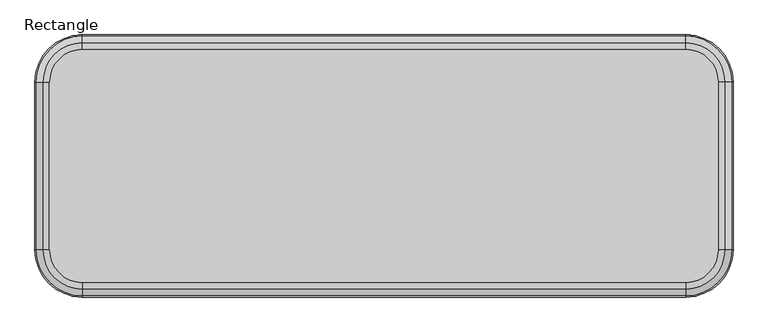
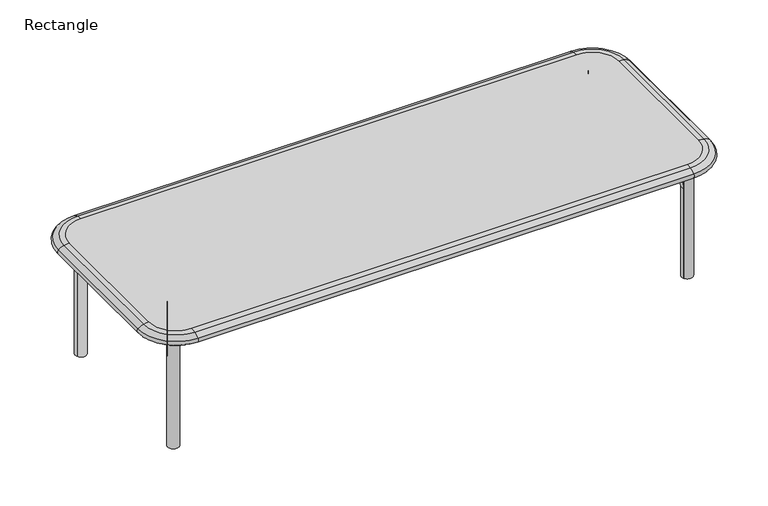
"""IFC4 building model written with IfcOpenShell, lengths in millimetres: furniture geometry, Rectangle."""

from ifc_helpers import new_model, si_unit, point, frame, frame_2d, origin, origin_with_axes, place, context, project, spatial, polyline, circle_curve, ellipse_curve, trimmed, segment, composite_curve, outline, extrude, source, transform, mapped, element, save
from ifc_brep_helpers import plane_surface, cylinder_surface, revolved_surface, advanced_brep


def rectangle_93412eb4(model_context):
    return source(origin(), model_context, "Body", "SolidModel", [
        extrude(outline(composite_curve([segment(polyline([(-182.5092077, 0.0), (0.0, 0.0), (0.0, -15.3909162), (-224.2682915, -15.3909162), (-224.2682915, 41.7590838)]), True, "CONTINUOUS"), segment(trimmed(circle_curve(frame_2d((-182.5092077, 41.7590838)), 41.7590838), [point((-224.2682915, 41.7590838))], [point((-182.5092077, 0.0))], True, "CARTESIAN"), True, "CONTINUOUS")], self_intersect=False)), frame((479.78078, 1.1365675, 264.0090838), z_axis=(0.8665866430967921, -0.4990266425815689, 0.0), x_axis=(-0.4990266425815689, -0.8665866430967921, 0.0)), (0.0, 0.0, 1.0), 26.122889),
        extrude(outline(composite_curve([segment(polyline([(0.0, 0.0), (224.6952016, 0.0), (224.6952016, -15.3909162), (41.7590839, -15.3909162)]), True, "CONTINUOUS"), segment(trimmed(circle_curve(frame_2d((41.7590839, -57.15)), 41.7590838), [point((41.7590839, -15.3909162))], [point((0.0, -57.15))], True, "CARTESIAN"), True, "CONTINUOUS"), segment(polyline([(0.0, -57.15), (0.0, 0.0)]), True, "CONTINUOUS")], self_intersect=False)), frame((591.800489, -193.5184196, 279.4), z_axis=(0.8665866430967921, 0.4990266425815689, 0.0), x_axis=(-0.4990266425815689, 0.8665866430967921, 0.0)), (0.0, 0.0, 1.0), 25.7081538),
        advanced_brep(
        [(591.8058003, 195.4215784, 0.0), (614.4288723, 182.3601417, 0.0), (591.8058003, 195.4215784, 222.25), (614.4288723, 182.3601417, 222.25), (593.5493304, 146.1957143, 264.0090838), (570.9262584, 159.257151, 264.0090838), (479.7369599, 1.3126528, 264.0090838), (502.3600319, -11.7487839, 264.0090838)],
        [
            (0, 1),
            (1, 0, circle_curve(frame((602.9716509, 188.6385255, 0.0), z_axis=(0.0, 0.0, -1.0), x_axis=(0.4999999999999981, 0.8660254037844397, 0.0)), 13.0646862)),
            (0, 2),
            (2, 3),
            (3, 1),
            (3, 2, circle_curve(frame((602.9716509, 188.6385255, 222.25), z_axis=(0.0, 0.0, -1.0), x_axis=(0.4999999999999981, 0.8660254037844397, 0.0)), 13.0646862)),
            (4, 3, circle_curve(frame((593.5493304, 146.1957143, 222.25), z_axis=(-0.8660254037844397, 0.4999999999999981, 0.0), x_axis=(0.4999999999999981, 0.8660254037844397, 0.0)), 41.7590838)),
            (2, 5, circle_curve(frame((570.9262584, 159.257151, 222.25), z_axis=(0.8660254037844397, -0.4999999999999981, 0.0), x_axis=(0.4999999999999981, 0.8660254037844397, 0.0)), 41.7590838)),
            (5, 4),
            (4, 5, circle_curve(frame((582.2377944, 152.7264326, 263.717713), z_axis=(0.499999999999998, 0.8660254037844397, 0.0), x_axis=(0.0, 0.0, 1.0)), 13.0646862)),
            (6, 7, circle_curve(frame((491.0484959, -5.2180655, 263.717713), z_axis=(-0.49999999999999817, -0.8660254037844397, 0.0), x_axis=(0.0, 0.0, 1.0)), 13.0646862)),
            (7, 6),
            (5, 6),
            (7, 4),
        ],
        [
            plane_surface(frame((591.8058003, 195.4215784, 0.0), z_axis=(0.0, 0.0, -1.0), x_axis=(-0.8660254037844397, 0.4999999999999981, 0.0))),
            plane_surface(frame((591.8058003, 195.4215784, 0.0), z_axis=(0.49999999999999767, 0.86602540378444, 0.0), x_axis=(0.0, 0.0, 1.0))),
            cylinder_surface(frame((602.9716509, 188.6385255, 0.0), z_axis=(0.0, 0.0, -1.0), x_axis=(0.4999999999999981, 0.8660254037844397, 0.0)), 13.0646862),
            cylinder_surface(frame((570.9262584, 159.257151, 222.25), z_axis=(0.8660254037844397, -0.4999999999999981, 0.0), x_axis=(0.4999999999999981, 0.8660254037844397, 0.0)), 41.7590838),
            revolved_surface(trimmed(ellipse_curve(frame((602.9716509, 188.6385255, 222.25), z_axis=(0.0, 0.0, -1.0), x_axis=(0.4999999999999981, 0.8660254037844397, 0.0)), 13.0646862, 13.0646862), [point((614.4288723, 182.3601417, 222.25))], [point((591.8058003, 195.4215784, 222.25))], True, "CARTESIAN"), (570.9262584, 159.257151, 222.25), (0.8660254037844397, -0.4999999999999981, 0.0)),
            plane_surface(frame((479.7369599, 1.3126528, 264.0090838), z_axis=(-0.4999999999999981, -0.8660254037844398, 0.0), x_axis=(-0.8660254037844398, 0.4999999999999981, 0.0))),
            plane_surface(frame((570.9262584, 159.257151, 264.0090838), z_axis=(0.0, 0.0, 1.0), x_axis=(-0.499999999999998, -0.8660254037844398, 0.0))),
            cylinder_surface(frame((582.2377944, 152.7264326, 263.717713), z_axis=(0.49999999999999817, 0.8660254037844397, 0.0), x_axis=(0.0, 0.0, 1.0)), 13.0646862),
        ],
        [
            (0, [[1, 2]]),
            (1, [[-1, 3, 4, 5]]),
            (2, [[-2, -5, 6, -3]]),
            (3, [[7, -4, 8, 9]]),
            (4, [[-8, -6, -7, 10]]),
            (5, [[11, 12]]),
            (6, [[-9, 13, -12, 14]]),
            (7, [[-10, -14, -11, -13]]),
        ],
    ),
        advanced_brep(
        [(591.800489, -193.5184196, 0.0), (614.4382222, -180.4824098, 0.0), (614.4382222, -180.4824098, 222.25), (591.800489, -193.5184196, 222.25), (570.9615936, -157.3305553, 264.0090838), (593.5993268, -144.2945455, 264.0090838), (479.9098207, 0.7857525, 264.0090838), (502.5475539, 13.8217623, 264.0090838)],
        [
            (0, 1, circle_curve(frame((602.9739538, -186.7479166, 0.0), z_axis=(0.0, 0.0, -1.0), x_axis=(-0.4990266425815689, 0.8665866430967921, 0.0)), 13.0646862)),
            (1, 0),
            (1, 2),
            (2, 3),
            (3, 0),
            (3, 2, circle_curve(frame((602.9739538, -186.7479166, 222.25), z_axis=(0.0, 0.0, -1.0), x_axis=(-0.4990266425815689, 0.8665866430967921, 0.0)), 13.0646862)),
            (4, 3, circle_curve(frame((570.9615936, -157.3305553, 222.25), z_axis=(0.8665866430967921, 0.4990266425815689, 0.0), x_axis=(0.4990266425815689, -0.8665866430967921, 0.0)), 41.7590838)),
            (2, 5, circle_curve(frame((593.5993268, -144.2945455, 222.25), z_axis=(-0.8665866430967921, -0.4990266425815689, 0.0), x_axis=(0.4990266425815689, -0.8665866430967921, 0.0)), 41.7590838)),
            (5, 4),
            (4, 5, circle_curve(frame((582.2804602, -150.8125504, 263.717713), z_axis=(0.4990266425815688, -0.8665866430967921, 0.0), x_axis=(0.0, 0.0, -1.0)), 13.0646862)),
            (6, 7),
            (7, 6, circle_curve(frame((491.2286873, 7.3037574, 263.717713), z_axis=(-0.4990266425815691, 0.8665866430967921, 0.0), x_axis=(0.0, 0.0, -1.0)), 13.0646862)),
            (5, 7),
            (6, 4),
        ],
        [
            plane_surface(frame((591.800489, -193.5184196, 0.0), z_axis=(0.0, 0.0, -1.0), x_axis=(-0.8665866430967921, -0.4990266425815689, 0.0))),
            plane_surface(frame((614.4382222, -180.4824098, 0.0), z_axis=(0.4990266425815685, -0.8665866430967925, 0.0), x_axis=(0.0, 0.0, 1.0))),
            cylinder_surface(frame((602.9739538, -186.7479166, 0.0), z_axis=(0.0, 0.0, -1.0), x_axis=(-0.4990266425815689, 0.8665866430967921, 0.0)), 13.0646862),
            cylinder_surface(frame((570.9615936, -157.3305553, 222.25), z_axis=(-0.8665866430967921, -0.4990266425815689, 0.0), x_axis=(0.4990266425815689, -0.8665866430967921, 0.0)), 41.7590838),
            revolved_surface(trimmed(ellipse_curve(frame((602.9739538, -186.7479166, 222.25), z_axis=(0.0, 0.0, -1.0), x_axis=(-0.4990266425815689, 0.8665866430967921, 0.0)), 13.0646862, 13.0646862), [point((591.800489, -193.5184196, 222.25))], [point((614.4382222, -180.4824098, 222.25))], True, "CARTESIAN"), (570.9615936, -157.3305553, 222.25), (-0.8665866430967921, -0.4990266425815689, 0.0)),
            plane_surface(frame((479.9098207, 0.7857525, 264.0090838), z_axis=(-0.49902664258156915, 0.8665866430967922, 0.0), x_axis=(-0.8665866430967922, -0.49902664258156915, 0.0))),
            plane_surface(frame((593.5993268, -144.2945455, 264.0090838), z_axis=(0.0, 0.0, 1.0), x_axis=(-0.49902664258156887, 0.8665866430967922, 0.0))),
            cylinder_surface(frame((582.2804602, -150.8125504, 263.717713), z_axis=(0.4990266425815691, -0.8665866430967921, 0.0), x_axis=(0.0, 0.0, -1.0)), 13.0646862),
        ],
        [
            (0, [[1, 2]]),
            (1, [[-2, 3, 4, 5]]),
            (2, [[-1, -5, 6, -3]]),
            (3, [[7, -4, 8, 9]]),
            (4, [[-8, -6, -7, 10]]),
            (5, [[11, 12]]),
            (6, [[-9, 13, -11, 14]]),
            (7, [[-10, -14, -12, -13]]),
        ],
    ),
        extrude(outline(composite_curve([segment(polyline([(614.4387781, 182.3714159), (591.8059029, 195.4217561)]), True, "CONTINUOUS"), segment(trimmed(circle_curve(frame_2d((603.1223405, 188.896586)), 13.0629095), [point((591.8059029, 195.4217561))], [point((614.4387781, 182.3714159))], False, "CARTESIAN"), True, "CONTINUOUS")], self_intersect=False)), origin_with_axes(), (0.0, 0.0, 1.0), 279.4),
        extrude(outline(composite_curve([segment(polyline([(591.8054331, -193.5270053), (614.4382222, -180.4824098)]), True, "CONTINUOUS"), segment(trimmed(circle_curve(frame_2d((603.1218277, -187.0047075)), 13.0614376), [point((614.4382222, -180.4824098))], [point((591.8054331, -193.5270053))], False, "CARTESIAN"), True, "CONTINUOUS")], self_intersect=False)), origin_with_axes(), (0.0, 0.0, 1.0), 279.4),
        extrude(outline(composite_curve([segment(polyline([(41.7590838, 41.7590838), (41.7590838, 224.2682915), (57.15, 224.2682915), (57.15, 0.0), (0.0, 0.0)]), True, "CONTINUOUS"), segment(trimmed(circle_curve(frame_2d((0.0, 41.7590838)), 41.7590838), [point((0.0, 0.0))], [point((41.7590838, 41.7590838))], True, "CARTESIAN"), True, "CONTINUOUS")], self_intersect=False)), frame((-614.3343792, 182.4484558, 222.25), z_axis=(0.8665866430967922, 0.49902664258156904, 0.0), x_axis=(0.0, 0.0, 1.0)), (0.0, 0.0, 1.0), 26.122889),
        extrude(outline(composite_curve([segment(polyline([(-57.15, 0.0), (0.0, 0.0)]), True, "CONTINUOUS"), segment(trimmed(circle_curve(frame_2d((0.0, -41.7590839)), 41.7590838), [point((0.0, 0.0))], [point((-41.7590838, -41.7590839))], True, "CARTESIAN"), True, "CONTINUOUS"), segment(polyline([(-41.7590838, -41.7590839), (-41.7590838, -224.6952016), (-57.15, -224.6952016), (-57.15, 0.0)]), True, "CONTINUOUS")], self_intersect=False)), frame((-591.800489, -193.5184196, 222.25), z_axis=(-0.8665866430967921, 0.4990266425815689, 0.0), x_axis=(0.0, 0.0, -1.0)), (0.0, 0.0, 1.0), 25.7081538),
        advanced_brep(
        [(-591.800489, -193.5184196, 0.0), (-614.4382222, -180.4824098, 0.0), (-591.800489, -193.5184196, 222.25), (-614.4382222, -180.4824098, 222.25), (-570.9615936, -157.3305553, 264.0090838), (-593.5993268, -144.2945455, 264.0090838), (-479.9098207, 0.7857525, 264.0090838), (-480.2801796, 0.9990248, 260.3910704), (-480.2801796, 0.9990248, 264.0090838), (-480.6272806, 1.198904, 259.1321959), (-494.753329, 9.3334334, 251.3022653), (-479.7369599, 1.3126528, 264.0090838), (-570.9262584, 159.257151, 264.0090838), (-593.5493304, 146.1957143, 264.0090838), (-509.8259125, 1.1825006, 264.0090838), (-494.7487547, 1.1909708, 250.6530268), (-494.7439556, -7.3516402, 251.3695365), (-591.8058003, 195.4215784, 0.0), (-614.4288723, 182.3601417, 0.0), (-614.4288723, 182.3601417, 222.25), (-591.8058003, 195.4215784, 222.25)],
        [
            (0, 1),
            (1, 0, circle_curve(frame((-602.9739538, -186.7479166, 0.0), z_axis=(0.0, 0.0, -1.0), x_axis=(-0.4990266425815689, -0.8665866430967921, 0.0)), 13.0646862)),
            (0, 2),
            (2, 3),
            (3, 1),
            (3, 2, circle_curve(frame((-602.9739538, -186.7479166, 222.25), z_axis=(0.0, 0.0, -1.0), x_axis=(-0.4990266425815689, -0.8665866430967921, 0.0)), 13.0646862)),
            (2, 4, circle_curve(frame((-570.9615936, -157.3305553, 222.25), z_axis=(-0.8665866430967921, 0.4990266425815689, 0.0), x_axis=(-0.4990266425815689, -0.8665866430967921, 0.0)), 41.7590838)),
            (4, 5),
            (5, 3, circle_curve(frame((-593.5993268, -144.2945455, 222.25), z_axis=(0.8665866430967921, -0.4990266425815689, 0.0), x_axis=(-0.4990266425815689, -0.8665866430967921, 0.0)), 41.7590838)),
            (5, 4, circle_curve(frame((-582.2804602, -150.8125504, 263.717713), z_axis=(-0.4990266425815688, -0.8665866430967921, 0.0), x_axis=(0.0, 0.0, 1.0)), 13.0646862)),
            (6, 7, circle_curve(frame((-491.2286873, 7.3037574, 263.717713), z_axis=(0.4990266425815691, 0.8665866430967921, 0.0), x_axis=(0.0, 0.0, 1.0)), 13.0646862)),
            (7, 8),
            (8, 6),
            (9, 10, circle_curve(frame((-491.2286873, 7.3037574, 263.717713), z_axis=(0.4990266425815691, 0.8665866430967921, 0.0), x_axis=(0.0, 0.0, 1.0)), 13.0646862)),
            (10, 9, ellipse_curve(frame((-501.788925, 13.3849035, 263.717713), z_axis=(-0.49902664258156915, -0.8665866430967922, 0.0), x_axis=(-0.8665866430967922, 0.4990266425815688, 0.0)), 26.0786377, 13.0646862)),
            (4, 6),
            (8, 11),
            (11, 12),
            (12, 13),
            (13, 14),
            (14, 5),
            (14, 15, ellipse_curve(frame((-494.7487547, 1.1909708, 263.717713), z_axis=(0.0005617860423997475, -0.9999998421982088, 0.0), x_axis=(-0.9999998421982087, -0.0005617860423997858, 0.0)), 15.0809111, 13.0646862)),
            (15, 16, ellipse_curve(frame((-494.7487547, 1.1909708, 263.717713), z_axis=(-0.9999998421982087, -0.0005617860423997858, 0.0), x_axis=(0.0005617860423996194, -0.9999998421982088, 0.0)), 26.1548263, 13.0646862)),
            (16, 7, ellipse_curve(frame((-502.1205243, -11.6105041, 263.717713), z_axis=(0.4999999999999981, -0.8660254037844398, 0.0), x_axis=(-0.8660254037844399, -0.499999999999998, 0.0)), 26.0786377, 13.0646862)),
            (9, 15, ellipse_curve(frame((-494.7487547, 1.1909708, 263.717713), z_axis=(-0.0005617860423997475, 0.9999998421982088, 0.0), x_axis=(-0.9999998421982087, -0.0005617860423997858, 0.0)), 15.0809111, 13.0646862)),
            (15, 10, ellipse_curve(frame((-494.7487547, 1.1909708, 263.717713), z_axis=(0.9999998421982087, 0.0005617860423997858, 0.0), x_axis=(0.0005617860423996194, -0.9999998421982088, 0.0)), 26.1548263, 13.0646862)),
            (17, 18, circle_curve(frame((-602.9716509, 188.6385255, 0.0), z_axis=(0.0, 0.0, -1.0), x_axis=(0.4999999999999981, -0.8660254037844397, 0.0)), 13.0646862)),
            (18, 17),
            (18, 19),
            (19, 20),
            (20, 17),
            (20, 19, circle_curve(frame((-602.9716509, 188.6385255, 222.25), z_axis=(0.0, 0.0, -1.0), x_axis=(0.4999999999999981, -0.8660254037844397, 0.0)), 13.0646862)),
            (19, 13, circle_curve(frame((-593.5493304, 146.1957143, 222.25), z_axis=(0.8660254037844397, 0.4999999999999981, 0.0), x_axis=(-0.4999999999999981, 0.8660254037844397, 0.0)), 41.7590838)),
            (12, 20, circle_curve(frame((-570.9262584, 159.257151, 222.25), z_axis=(-0.8660254037844397, -0.4999999999999981, 0.0), x_axis=(-0.4999999999999981, 0.8660254037844397, 0.0)), 41.7590838)),
            (12, 13, circle_curve(frame((-582.2377944, 152.7264326, 263.717713), z_axis=(-0.499999999999998, 0.8660254037844397, 0.0), x_axis=(0.0, 0.0, -1.0)), 13.0646862)),
            (16, 11, circle_curve(frame((-491.0484959, -5.2180655, 263.717713), z_axis=(0.49999999999999817, -0.8660254037844397, 0.0), x_axis=(0.0, 0.0, -1.0)), 13.0646862)),
        ],
        [
            plane_surface(frame((-591.800489, -193.5184196, 0.0), z_axis=(0.0, 0.0, -1.0), x_axis=(0.8665866430967921, -0.4990266425815689, 0.0))),
            plane_surface(frame((-591.800489, -193.5184196, 0.0), z_axis=(-0.4990266425815685, -0.8665866430967925, 0.0), x_axis=(0.0, 0.0, 1.0))),
            cylinder_surface(frame((-602.9739538, -186.7479166, 0.0), z_axis=(0.0, 0.0, -1.0), x_axis=(-0.4990266425815689, -0.8665866430967921, 0.0)), 13.0646862),
            cylinder_surface(frame((-570.9615936, -157.3305553, 222.25), z_axis=(-0.8665866430967921, 0.4990266425815689, 0.0), x_axis=(-0.4990266425815689, -0.8665866430967921, 0.0)), 41.7590838),
            revolved_surface(trimmed(ellipse_curve(frame((-602.9739538, -186.7479166, 222.25), z_axis=(0.0, 0.0, -1.0), x_axis=(-0.4990266425815689, -0.8665866430967921, 0.0)), 13.0646862, 13.0646862), [point((-614.4382222, -180.4824098, 222.25))], [point((-591.800489, -193.5184196, 222.25))], True, "CARTESIAN"), (-570.9615936, -157.3305553, 222.25), (-0.8665866430967921, 0.4990266425815689, 0.0)),
            plane_surface(frame((-479.9098207, 0.7857525, 264.0090838), z_axis=(0.49902664258156915, 0.8665866430967922, 0.0), x_axis=(0.8665866430967922, -0.49902664258156915, 0.0))),
            plane_surface(frame((-570.9615936, -157.3305553, 264.0090838), z_axis=(0.0, 0.0, 1.0000000000000002), x_axis=(0.4990266425815693, 0.866586643096792, 0.0))),
            cylinder_surface(frame((-582.2804602, -150.8125504, 263.717713), z_axis=(-0.4990266425815691, -0.8665866430967921, 0.0), x_axis=(0.0, 0.0, 1.0)), 13.0646862),
            plane_surface(frame((-591.8058003, 195.4215784, 0.0), z_axis=(0.0, 0.0, -1.0), x_axis=(0.8660254037844397, 0.4999999999999981, 0.0))),
            plane_surface(frame((-614.4288723, 182.3601417, 0.0), z_axis=(-0.49999999999999767, 0.86602540378444, 0.0), x_axis=(0.0, 0.0, 1.0))),
            cylinder_surface(frame((-602.9716509, 188.6385255, 0.0), z_axis=(0.0, 0.0, -1.0), x_axis=(0.4999999999999981, -0.8660254037844397, 0.0)), 13.0646862),
            cylinder_surface(frame((-570.9262584, 159.257151, 222.25), z_axis=(0.8660254037844397, 0.4999999999999981, 0.0), x_axis=(-0.4999999999999981, 0.8660254037844397, 0.0)), 41.7590838),
            revolved_surface(trimmed(ellipse_curve(frame((-602.9716509, 188.6385255, 222.25), z_axis=(0.0, 0.0, -1.0), x_axis=(0.4999999999999981, -0.8660254037844397, 0.0)), 13.0646862, 13.0646862), [point((-591.8058003, 195.4215784, 222.25))], [point((-614.4288723, 182.3601417, 222.25))], True, "CARTESIAN"), (-570.9262584, 159.257151, 222.25), (0.8660254037844397, 0.4999999999999981, 0.0)),
            plane_surface(frame((-479.7369599, 1.3126528, 264.0090838), z_axis=(0.4999999999999981, -0.8660254037844398, 0.0), x_axis=(0.8660254037844398, 0.4999999999999981, 0.0))),
            cylinder_surface(frame((-582.2377944, 152.7264326, 263.717713), z_axis=(-0.49999999999999817, 0.8660254037844397, 0.0), x_axis=(0.0, 0.0, -1.0)), 13.0646862),
        ],
        [
            (0, [[1, 2]]),
            (1, [[-1, 3, 4, 5]]),
            (2, [[-2, -5, 6, -3]]),
            (3, [[-4, 7, 8, 9]]),
            (4, [[-6, -9, 10, -7]]),
            (5, [[11, 12, 13]]),
            (5, [[14, 15]]),
            (6, [[-8, 16, -13, 17, 18, 19, 20, 21]]),
            (7, [[-10, -21, 22, 23, 24, -11, -16]]),
            (7, [[-14, 25, 26]]),
            (8, [[27, 28]]),
            (9, [[-28, 29, 30, 31]]),
            (10, [[-27, -31, 32, -29]]),
            (11, [[-30, 33, -19, 34]]),
            (12, [[-32, -34, 35, -33]]),
            (13, [[-17, -12, -24, 36]]),
            (14, [[-35, -18, -36, -23, -25, -15, -26, -22, -20]]),
        ],
    ),
        extrude(outline(composite_curve([segment(trimmed(circle_curve(frame_2d((-603.1223405, 188.896586)), 13.0629095), [point((-614.4387781, 182.3714159))], [point((-591.8059029, 195.4217561))], False, "CARTESIAN"), True, "CONTINUOUS"), segment(polyline([(-591.8059029, 195.4217561), (-614.4387781, 182.3714159)]), True, "CONTINUOUS")], self_intersect=False)), origin_with_axes(), (0.0, 0.0, 1.0), 279.4),
        extrude(outline(composite_curve([segment(trimmed(circle_curve(frame_2d((-603.1218277, -187.0047075)), 13.0614376), [point((-591.8054331, -193.5270053))], [point((-614.4382222, -180.4824098))], False, "CARTESIAN"), True, "CONTINUOUS"), segment(polyline([(-614.4382222, -180.4824098), (-591.8054331, -193.5270053)]), True, "CONTINUOUS")], self_intersect=False)), origin_with_axes(), (0.0, 0.0, 1.0), 279.4),
        advanced_brep(
        [(-581.9759441, -237.0262078, 280.6571816), (-657.8274734, -161.1746784, 280.6571816), (-645.1970453, -161.1746784, 279.3296701), (-581.9759441, -224.3957797, 279.3296701), (-581.9759441, -250.2967471, 287.4188591), (-671.0980127, -161.1746784, 287.4188591), (-581.9759441, -250.2967471, 296.6404811), (-671.0980127, -161.1746784, 296.6404811), (-581.9759441, -237.0262078, 303.4021586), (-657.8274734, -161.1746784, 303.4021586), (-581.9759441, -224.3957797, 304.7296701), (-645.1970453, -161.1746784, 304.7296701), (581.9759441, -224.3957797, 279.3296701), (581.9759441, -237.0262078, 280.6571816), (581.9759441, -250.2967471, 287.4188591), (581.9759441, -250.2967471, 296.6404811), (581.9759441, -237.0262078, 303.4021586), (581.9759441, -224.3957797, 304.7296701), (645.1970453, -161.1746784, 279.3296701), (657.8274734, -161.1746784, 280.6571816), (671.0980127, -161.1746784, 287.4188591), (671.0980127, -161.1746784, 296.6404811), (657.8274734, -161.1746784, 303.4021586), (645.1970453, -161.1746784, 304.7296701), (645.1970453, 162.8759625, 279.3296701), (657.8274734, 162.8759625, 280.6571816), (671.0980127, 162.8759625, 287.4188591), (671.0980127, 162.8759625, 296.6404811), (657.8274734, 162.8759625, 303.4021586), (645.1970453, 162.8759625, 304.7296701), (581.9759625, 226.0970453, 279.3296701), (581.9759625, 238.7274734, 280.6571816), (581.9759625, 251.9980127, 287.4188591), (581.9759625, 251.9980127, 296.6404811), (581.9759625, 238.7274734, 303.4021586), (581.9759625, 226.0970453, 304.7296701), (-581.9759625, 226.0970453, 279.3296701), (-581.9759625, 238.7274734, 280.6571816), (-581.9759625, 251.9980127, 287.4188591), (-581.9759625, 251.9980127, 296.6404811), (-581.9759625, 238.7274734, 303.4021586), (-581.9759625, 226.0970453, 304.7296701), (-645.1970453, 162.8759625, 279.3296701), (-657.8274734, 162.8759625, 280.6571816), (-671.0980127, 162.8759625, 287.4188591), (-671.0980127, 162.8759625, 296.6404811), (-657.8274734, 162.8759625, 303.4021586), (-645.1970453, 162.8759625, 304.7296701)],
        [
            (0, 1, circle_curve(frame((-581.9759441, -161.1746784, 280.6571816), z_axis=(0.0, 0.0, -1.0), x_axis=(-1.0, 0.0, 0.0)), 75.8515294)),
            (1, 2, circle_curve(frame((-645.1970453, -161.1746784, 340.0786738), z_axis=(0.0, -1.0, 0.0), x_axis=(1.0, 0.0, 0.0)), 60.7490037)),
            (2, 3, circle_curve(frame((-581.9759441, -161.1746784, 279.3296701), z_axis=(0.0, 0.0, 1.0), x_axis=(-1.0, 0.0, 0.0)), 63.2211013)),
            (3, 0, circle_curve(frame((-581.9759441, -224.3957797, 340.0786738), z_axis=(-1.0, 0.0, 0.0), x_axis=(0.0, 1.0, 0.0)), 60.7490037)),
            (0, 4, circle_curve(frame((-581.9759441, -231.0440155, 308.8011837), z_axis=(-1.0, 0.0, 0.0), x_axis=(0.0, 1.0, 0.0)), 28.7727559)),
            (4, 5, circle_curve(frame((-581.9759441, -161.1746784, 287.4188591), z_axis=(0.0, 0.0, -1.0), x_axis=(-1.0, 0.0, 0.0)), 89.1220686)),
            (5, 1, circle_curve(frame((-651.8452811, -161.1746784, 308.8011837), z_axis=(0.0, -1.0, 0.0), x_axis=(1.0, 0.0, 0.0)), 28.7727559)),
            (4, 6, circle_curve(frame((-581.9759441, -246.1451542, 292.0296701), z_axis=(-1.0, 0.0, 0.0), x_axis=(0.0, 1.0, 0.0)), 6.2044582)),
            (6, 7, circle_curve(frame((-581.9759441, -161.1746784, 296.6404811), z_axis=(0.0, 0.0, -1.0), x_axis=(-1.0, 0.0, 0.0)), 89.1220686)),
            (7, 5, circle_curve(frame((-666.9464198, -161.1746784, 292.0296701), z_axis=(0.0, -1.0, 0.0), x_axis=(1.0, 0.0, 0.0)), 6.2044582)),
            (6, 8, circle_curve(frame((-581.9759441, -231.0440155, 275.2581565), z_axis=(-1.0, 0.0, 0.0), x_axis=(0.0, 1.0, 0.0)), 28.7727559)),
            (8, 9, circle_curve(frame((-581.9759441, -161.1746784, 303.4021586), z_axis=(0.0, 0.0, -1.0), x_axis=(-1.0, 0.0, 0.0)), 75.8515294)),
            (9, 7, circle_curve(frame((-651.8452811, -161.1746784, 275.2581565), z_axis=(0.0, -1.0, 0.0), x_axis=(1.0, 0.0, 0.0)), 28.7727559)),
            (8, 10, circle_curve(frame((-581.9759441, -224.3957797, 243.9806664), z_axis=(-1.0, 0.0, 0.0), x_axis=(0.0, 1.0, 0.0)), 60.7490037)),
            (10, 11, circle_curve(frame((-581.9759441, -161.1746784, 304.7296701), z_axis=(0.0, 0.0, -1.0), x_axis=(-1.0, 0.0, 0.0)), 63.2211013)),
            (11, 9, circle_curve(frame((-645.1970453, -161.1746784, 243.9806664), z_axis=(0.0, -1.0, 0.0), x_axis=(1.0, 0.0, 0.0)), 60.7490037)),
            (3, 12),
            (12, 13, circle_curve(frame((581.9759441, -224.3957797, 340.0786738), z_axis=(-1.0, 0.0, 0.0), x_axis=(0.0, 1.0, 0.0)), 60.7490037)),
            (13, 0),
            (13, 14, circle_curve(frame((581.9759441, -231.0440155, 308.8011837), z_axis=(-1.0, 0.0, 0.0), x_axis=(0.0, 1.0, 0.0)), 28.7727559)),
            (14, 4),
            (14, 15, circle_curve(frame((581.9759441, -246.1451542, 292.0296701), z_axis=(-1.0, 0.0, 0.0), x_axis=(0.0, 1.0, 0.0)), 6.2044582)),
            (15, 6),
            (15, 16, circle_curve(frame((581.9759441, -231.0440155, 275.2581565), z_axis=(-1.0, 0.0, 0.0), x_axis=(0.0, 1.0, 0.0)), 28.7727559)),
            (16, 8),
            (16, 17, circle_curve(frame((581.9759441, -224.3957797, 243.9806664), z_axis=(-1.0, 0.0, 0.0), x_axis=(0.0, 1.0, 0.0)), 60.7490037)),
            (17, 10),
            (12, 18, circle_curve(frame((581.9759441, -161.1746784, 279.3296701), z_axis=(0.0, 0.0, 1.0), x_axis=(0.0, -1.0, 0.0)), 63.2211013)),
            (18, 19, circle_curve(frame((645.1970453, -161.1746784, 340.0786738), z_axis=(0.0, -1.0, 0.0), x_axis=(-1.0, 0.0, 0.0)), 60.7490037)),
            (19, 13, circle_curve(frame((581.9759441, -161.1746784, 280.6571816), z_axis=(0.0, 0.0, -1.0), x_axis=(0.0, -1.0, 0.0)), 75.8515294)),
            (19, 20, circle_curve(frame((651.8452811, -161.1746784, 308.8011837), z_axis=(0.0, -1.0, 0.0), x_axis=(-1.0, 0.0, 0.0)), 28.7727559)),
            (20, 14, circle_curve(frame((581.9759441, -161.1746784, 287.4188591), z_axis=(0.0, 0.0, -1.0), x_axis=(0.0, -1.0, 0.0)), 89.1220686)),
            (20, 21, circle_curve(frame((666.9464198, -161.1746784, 292.0296701), z_axis=(0.0, -1.0, 0.0), x_axis=(-1.0, 0.0, 0.0)), 6.2044582)),
            (21, 15, circle_curve(frame((581.9759441, -161.1746784, 296.6404811), z_axis=(0.0, 0.0, -1.0), x_axis=(0.0, -1.0, 0.0)), 89.1220686)),
            (21, 22, circle_curve(frame((651.8452811, -161.1746784, 275.2581565), z_axis=(0.0, -1.0, 0.0), x_axis=(-1.0, 0.0, 0.0)), 28.7727559)),
            (22, 16, circle_curve(frame((581.9759441, -161.1746784, 303.4021586), z_axis=(0.0, 0.0, -1.0), x_axis=(0.0, -1.0, 0.0)), 75.8515294)),
            (22, 23, circle_curve(frame((645.1970453, -161.1746784, 243.9806664), z_axis=(0.0, -1.0, 0.0), x_axis=(-1.0, 0.0, 0.0)), 60.7490037)),
            (23, 17, circle_curve(frame((581.9759441, -161.1746784, 304.7296701), z_axis=(0.0, 0.0, -1.0), x_axis=(0.0, -1.0, 0.0)), 63.2211013)),
            (18, 24),
            (24, 25, circle_curve(frame((645.1970453, 162.8759625, 340.0786738), z_axis=(0.0, -1.0, 0.0), x_axis=(-1.0, 0.0, 0.0)), 60.7490037)),
            (25, 19),
            (25, 26, circle_curve(frame((651.8452811, 162.8759625, 308.8011837), z_axis=(0.0, -1.0, 0.0), x_axis=(-1.0, 0.0, 0.0)), 28.7727559)),
            (26, 20),
            (26, 27, circle_curve(frame((666.9464198, 162.8759625, 292.0296701), z_axis=(0.0, -1.0, 0.0), x_axis=(-1.0, 0.0, 0.0)), 6.2044582)),
            (27, 21),
            (27, 28, circle_curve(frame((651.8452811, 162.8759625, 275.2581565), z_axis=(0.0, -1.0, 0.0), x_axis=(-1.0, 0.0, 0.0)), 28.7727559)),
            (28, 22),
            (28, 29, circle_curve(frame((645.1970453, 162.8759625, 243.9806664), z_axis=(0.0, -1.0, 0.0), x_axis=(-1.0, 0.0, 0.0)), 60.7490037)),
            (29, 23),
            (24, 30, circle_curve(frame((581.9759625, 162.8759625, 279.3296701), z_axis=(0.0, 0.0, 1.0), x_axis=(1.0, 0.0, 0.0)), 63.2210829)),
            (30, 31, circle_curve(frame((581.9759625, 226.0970453, 340.0786738), z_axis=(1.0, 0.0, 0.0), x_axis=(0.0, -1.0, 0.0)), 60.7490037)),
            (31, 25, circle_curve(frame((581.9759625, 162.8759625, 280.6571816), z_axis=(0.0, 0.0, -1.0), x_axis=(1.0, 0.0, 0.0)), 75.851511)),
            (31, 32, circle_curve(frame((581.9759625, 232.7452811, 308.8011837), z_axis=(1.0, 0.0, 0.0), x_axis=(0.0, -1.0, 0.0)), 28.7727559)),
            (32, 26, circle_curve(frame((581.9759625, 162.8759625, 287.4188591), z_axis=(0.0, 0.0, -1.0), x_axis=(1.0, 0.0, 0.0)), 89.1220502)),
            (32, 33, circle_curve(frame((581.9759625, 247.8464198, 292.0296701), z_axis=(1.0, 0.0, 0.0), x_axis=(0.0, -1.0, 0.0)), 6.2044582)),
            (33, 27, circle_curve(frame((581.9759625, 162.8759625, 296.6404811), z_axis=(0.0, 0.0, -1.0), x_axis=(1.0, 0.0, 0.0)), 89.1220502)),
            (33, 34, circle_curve(frame((581.9759625, 232.7452811, 275.2581565), z_axis=(1.0, 0.0, 0.0), x_axis=(0.0, -1.0, 0.0)), 28.7727559)),
            (34, 28, circle_curve(frame((581.9759625, 162.8759625, 303.4021586), z_axis=(0.0, 0.0, -1.0), x_axis=(1.0, 0.0, 0.0)), 75.851511)),
            (34, 35, circle_curve(frame((581.9759625, 226.0970453, 243.9806664), z_axis=(1.0, 0.0, 0.0), x_axis=(0.0, -1.0, 0.0)), 60.7490037)),
            (35, 29, circle_curve(frame((581.9759625, 162.8759625, 304.7296701), z_axis=(0.0, 0.0, -1.0), x_axis=(1.0, 0.0, 0.0)), 63.2210829)),
            (30, 36),
            (36, 37, circle_curve(frame((-581.9759625, 226.0970453, 340.0786738), z_axis=(1.0, 0.0, 0.0), x_axis=(0.0, -1.0, 0.0)), 60.7490037)),
            (37, 31),
            (37, 38, circle_curve(frame((-581.9759625, 232.7452811, 308.8011837), z_axis=(1.0, 0.0, 0.0), x_axis=(0.0, -1.0, 0.0)), 28.7727559)),
            (38, 32),
            (38, 39, circle_curve(frame((-581.9759625, 247.8464198, 292.0296701), z_axis=(1.0, 0.0, 0.0), x_axis=(0.0, -1.0, 0.0)), 6.2044582)),
            (39, 33),
            (39, 40, circle_curve(frame((-581.9759625, 232.7452811, 275.2581565), z_axis=(1.0, 0.0, 0.0), x_axis=(0.0, -1.0, 0.0)), 28.7727559)),
            (40, 34),
            (40, 41, circle_curve(frame((-581.9759625, 226.0970453, 243.9806664), z_axis=(1.0, 0.0, 0.0), x_axis=(0.0, -1.0, 0.0)), 60.7490037)),
            (41, 35),
            (36, 42, circle_curve(frame((-581.9759625, 162.8759625, 279.3296701), z_axis=(0.0, 0.0, 1.0), x_axis=(0.0, 1.0, 0.0)), 63.2210829)),
            (42, 43, circle_curve(frame((-645.1970453, 162.8759625, 340.0786738), z_axis=(0.0, 1.0, 0.0), x_axis=(1.0, 0.0, 0.0)), 60.7490037)),
            (43, 37, circle_curve(frame((-581.9759625, 162.8759625, 280.6571816), z_axis=(0.0, 0.0, -1.0), x_axis=(0.0, 1.0, 0.0)), 75.851511)),
            (43, 44, circle_curve(frame((-651.8452811, 162.8759625, 308.8011837), z_axis=(0.0, 1.0, 0.0), x_axis=(1.0, 0.0, 0.0)), 28.7727559)),
            (44, 38, circle_curve(frame((-581.9759625, 162.8759625, 287.4188591), z_axis=(0.0, 0.0, -1.0), x_axis=(0.0, 1.0, 0.0)), 89.1220502)),
            (44, 45, circle_curve(frame((-666.9464198, 162.8759625, 292.0296701), z_axis=(0.0, 1.0, 0.0), x_axis=(1.0, 0.0, 0.0)), 6.2044582)),
            (45, 39, circle_curve(frame((-581.9759625, 162.8759625, 296.6404811), z_axis=(0.0, 0.0, -1.0), x_axis=(0.0, 1.0, 0.0)), 89.1220502)),
            (45, 46, circle_curve(frame((-651.8452811, 162.8759625, 275.2581565), z_axis=(0.0, 1.0, 0.0), x_axis=(1.0, 0.0, 0.0)), 28.7727559)),
            (46, 40, circle_curve(frame((-581.9759625, 162.8759625, 303.4021586), z_axis=(0.0, 0.0, -1.0), x_axis=(0.0, 1.0, 0.0)), 75.851511)),
            (46, 47, circle_curve(frame((-645.1970453, 162.8759625, 243.9806664), z_axis=(0.0, 1.0, 0.0), x_axis=(1.0, 0.0, 0.0)), 60.7490037)),
            (47, 41, circle_curve(frame((-581.9759625, 162.8759625, 304.7296701), z_axis=(0.0, 0.0, -1.0), x_axis=(0.0, 1.0, 0.0)), 63.2210829)),
            (47, 11),
            (2, 42),
            (1, 43),
            (5, 44),
            (7, 45),
            (9, 46),
        ],
        [
            revolved_surface(trimmed(ellipse_curve(frame((-645.1970453, -161.1746784, 340.0786738), z_axis=(0.0, 1.0, 0.0), x_axis=(1.0, 0.0, 0.0)), 60.7490037, 60.7490037), [point((-645.1970453, -161.1746784, 279.3296701))], [point((-657.8274734, -161.1746784, 280.6571816))], True, "CARTESIAN"), (-581.9759441, -161.1746784, 304.8), (0.0, 0.0, 1.0)),
            revolved_surface(trimmed(ellipse_curve(frame((-651.8452811, -161.1746784, 308.8011837), z_axis=(0.0, 1.0, 0.0), x_axis=(1.0, 0.0, 0.0)), 28.7727559, 28.7727559), [point((-657.8274734, -161.1746784, 280.6571816))], [point((-671.0980127, -161.1746784, 287.4188591))], True, "CARTESIAN"), (-581.9759441, -161.1746784, 304.8), (0.0, 0.0, 1.0)),
            revolved_surface(trimmed(ellipse_curve(frame((-666.9464198, -161.1746784, 292.0296701), z_axis=(0.0, 1.0, 0.0), x_axis=(1.0, 0.0, 0.0)), 6.2044582, 6.2044582), [point((-671.0980127, -161.1746784, 287.4188591))], [point((-671.0980127, -161.1746784, 296.6404811))], True, "CARTESIAN"), (-581.9759441, -161.1746784, 304.8), (0.0, 0.0, 1.0)),
            revolved_surface(trimmed(ellipse_curve(frame((-651.8452811, -161.1746784, 275.2581565), z_axis=(0.0, 1.0, 0.0), x_axis=(1.0, 0.0, 0.0)), 28.7727559, 28.7727559), [point((-671.0980127, -161.1746784, 296.6404811))], [point((-657.8274734, -161.1746784, 303.4021586))], True, "CARTESIAN"), (-581.9759441, -161.1746784, 304.8), (0.0, 0.0, 1.0)),
            revolved_surface(trimmed(ellipse_curve(frame((-645.1970453, -161.1746784, 243.9806664), z_axis=(0.0, 1.0, 0.0), x_axis=(1.0, 0.0, 0.0)), 60.7490037, 60.7490037), [point((-657.8274734, -161.1746784, 303.4021586))], [point((-645.1970453, -161.1746784, 304.7296701))], True, "CARTESIAN"), (-581.9759441, -161.1746784, 304.8), (0.0, 0.0, 1.0)),
            cylinder_surface(frame((-581.9759441, -224.3957797, 340.0786738), z_axis=(-1.0, 0.0, 0.0), x_axis=(0.0, 1.0, 0.0)), 60.7490037),
            cylinder_surface(frame((-581.9759441, -231.0440155, 308.8011837), z_axis=(-1.0, 0.0, 0.0), x_axis=(0.0, 1.0, 0.0)), 28.7727559),
            cylinder_surface(frame((-581.9759441, -246.1451542, 292.0296701), z_axis=(-1.0, 0.0, 0.0), x_axis=(0.0, 1.0, 0.0)), 6.2044582),
            cylinder_surface(frame((-581.9759441, -231.0440155, 275.2581565), z_axis=(-1.0, 0.0, 0.0), x_axis=(0.0, 1.0, 0.0)), 28.7727559),
            cylinder_surface(frame((-581.9759441, -224.3957797, 243.9806664), z_axis=(-1.0, 0.0, 0.0), x_axis=(0.0, 1.0, 0.0)), 60.7490037),
            revolved_surface(trimmed(ellipse_curve(frame((581.9759441, -224.3957797, 340.0786738), z_axis=(-1.0, 0.0, 0.0), x_axis=(0.0, 1.0, 0.0)), 60.7490037, 60.7490037), [point((581.9759441, -224.3957797, 279.3296701))], [point((581.9759441, -237.0262078, 280.6571816))], True, "CARTESIAN"), (581.9759441, -161.1746784, 304.8), (0.0, 0.0, 1.0)),
            revolved_surface(trimmed(ellipse_curve(frame((581.9759441, -231.0440155, 308.8011837), z_axis=(-1.0, 0.0, 0.0), x_axis=(0.0, 1.0, 0.0)), 28.7727559, 28.7727559), [point((581.9759441, -237.0262078, 280.6571816))], [point((581.9759441, -250.2967471, 287.4188591))], True, "CARTESIAN"), (581.9759441, -161.1746784, 304.8), (0.0, 0.0, 1.0)),
            revolved_surface(trimmed(ellipse_curve(frame((581.9759441, -246.1451542, 292.0296701), z_axis=(-1.0, 0.0, 0.0), x_axis=(0.0, 1.0, 0.0)), 6.2044582, 6.2044582), [point((581.9759441, -250.2967471, 287.4188591))], [point((581.9759441, -250.2967471, 296.6404811))], True, "CARTESIAN"), (581.9759441, -161.1746784, 304.8), (0.0, 0.0, 1.0)),
            revolved_surface(trimmed(ellipse_curve(frame((581.9759441, -231.0440155, 275.2581565), z_axis=(-1.0, 0.0, 0.0), x_axis=(0.0, 1.0, 0.0)), 28.7727559, 28.7727559), [point((581.9759441, -250.2967471, 296.6404811))], [point((581.9759441, -237.0262078, 303.4021586))], True, "CARTESIAN"), (581.9759441, -161.1746784, 304.8), (0.0, 0.0, 1.0)),
            revolved_surface(trimmed(ellipse_curve(frame((581.9759441, -224.3957797, 243.9806664), z_axis=(-1.0, 0.0, 0.0), x_axis=(0.0, 1.0, 0.0)), 60.7490037, 60.7490037), [point((581.9759441, -237.0262078, 303.4021586))], [point((581.9759441, -224.3957797, 304.7296701))], True, "CARTESIAN"), (581.9759441, -161.1746784, 304.8), (0.0, 0.0, 1.0)),
            cylinder_surface(frame((645.1970453, -161.1746784, 340.0786738), z_axis=(0.0, -1.0, 0.0), x_axis=(-1.0, 0.0, 0.0)), 60.7490037),
            cylinder_surface(frame((651.8452811, -161.1746784, 308.8011837), z_axis=(0.0, -1.0, 0.0), x_axis=(-1.0, 0.0, 0.0)), 28.7727559),
            cylinder_surface(frame((666.9464198, -161.1746784, 292.0296701), z_axis=(0.0, -1.0, 0.0), x_axis=(-1.0, 0.0, 0.0)), 6.2044582),
            cylinder_surface(frame((651.8452811, -161.1746784, 275.2581565), z_axis=(0.0, -1.0, 0.0), x_axis=(-1.0, 0.0, 0.0)), 28.7727559),
            cylinder_surface(frame((645.1970453, -161.1746784, 243.9806664), z_axis=(0.0, -1.0, 0.0), x_axis=(-1.0, 0.0, 0.0)), 60.7490037),
            revolved_surface(trimmed(ellipse_curve(frame((645.1970453, 162.8759625, 340.0786738), z_axis=(0.0, -1.0, 0.0), x_axis=(-1.0, 0.0, 0.0)), 60.7490037, 60.7490037), [point((645.1970453, 162.8759625, 279.3296701))], [point((657.8274734, 162.8759625, 280.6571816))], True, "CARTESIAN"), (581.9759625, 162.8759625, 304.8), (0.0, 0.0, 1.0)),
            revolved_surface(trimmed(ellipse_curve(frame((651.8452811, 162.8759625, 308.8011837), z_axis=(0.0, -1.0, 0.0), x_axis=(-1.0, 0.0, 0.0)), 28.7727559, 28.7727559), [point((657.8274734, 162.8759625, 280.6571816))], [point((671.0980127, 162.8759625, 287.4188591))], True, "CARTESIAN"), (581.9759625, 162.8759625, 304.8), (0.0, 0.0, 1.0)),
            revolved_surface(trimmed(ellipse_curve(frame((666.9464198, 162.8759625, 292.0296701), z_axis=(0.0, -1.0, 0.0), x_axis=(-1.0, 0.0, 0.0)), 6.2044582, 6.2044582), [point((671.0980127, 162.8759625, 287.4188591))], [point((671.0980127, 162.8759625, 296.6404811))], True, "CARTESIAN"), (581.9759625, 162.8759625, 304.8), (0.0, 0.0, 1.0)),
            revolved_surface(trimmed(ellipse_curve(frame((651.8452811, 162.8759625, 275.2581565), z_axis=(0.0, -1.0, 0.0), x_axis=(-1.0, 0.0, 0.0)), 28.7727559, 28.7727559), [point((671.0980127, 162.8759625, 296.6404811))], [point((657.8274734, 162.8759625, 303.4021586))], True, "CARTESIAN"), (581.9759625, 162.8759625, 304.8), (0.0, 0.0, 1.0)),
            revolved_surface(trimmed(ellipse_curve(frame((645.1970453, 162.8759625, 243.9806664), z_axis=(0.0, -1.0, 0.0), x_axis=(-1.0, 0.0, 0.0)), 60.7490037, 60.7490037), [point((657.8274734, 162.8759625, 303.4021586))], [point((645.1970453, 162.8759625, 304.7296701))], True, "CARTESIAN"), (581.9759625, 162.8759625, 304.8), (0.0, 0.0, 1.0)),
            cylinder_surface(frame((581.9759625, 226.0970453, 340.0786738), z_axis=(1.0, 0.0, 0.0), x_axis=(0.0, -1.0, 0.0)), 60.7490037),
            cylinder_surface(frame((581.9759625, 232.7452811, 308.8011837), z_axis=(1.0, 0.0, 0.0), x_axis=(0.0, -1.0, 0.0)), 28.7727559),
            cylinder_surface(frame((581.9759625, 247.8464198, 292.0296701), z_axis=(1.0, 0.0, 0.0), x_axis=(0.0, -1.0, 0.0)), 6.2044582),
            cylinder_surface(frame((581.9759625, 232.7452811, 275.2581565), z_axis=(1.0, 0.0, 0.0), x_axis=(0.0, -1.0, 0.0)), 28.7727559),
            cylinder_surface(frame((581.9759625, 226.0970453, 243.9806664), z_axis=(1.0, 0.0, 0.0), x_axis=(0.0, -1.0, 0.0)), 60.7490037),
            revolved_surface(trimmed(ellipse_curve(frame((-581.9759625, 226.0970453, 340.0786738), z_axis=(1.0, 0.0, 0.0), x_axis=(0.0, -1.0, 0.0)), 60.7490037, 60.7490037), [point((-581.9759625, 226.0970453, 279.3296701))], [point((-581.9759625, 238.7274734, 280.6571816))], True, "CARTESIAN"), (-581.9759625, 162.8759625, 304.8), (0.0, 0.0, 1.0)),
            revolved_surface(trimmed(ellipse_curve(frame((-581.9759625, 232.7452811, 308.8011837), z_axis=(1.0, 0.0, 0.0), x_axis=(0.0, -1.0, 0.0)), 28.7727559, 28.7727559), [point((-581.9759625, 238.7274734, 280.6571816))], [point((-581.9759625, 251.9980127, 287.4188591))], True, "CARTESIAN"), (-581.9759625, 162.8759625, 304.8), (0.0, 0.0, 1.0)),
            revolved_surface(trimmed(ellipse_curve(frame((-581.9759625, 247.8464198, 292.0296701), z_axis=(1.0, 0.0, 0.0), x_axis=(0.0, -1.0, 0.0)), 6.2044582, 6.2044582), [point((-581.9759625, 251.9980127, 287.4188591))], [point((-581.9759625, 251.9980127, 296.6404811))], True, "CARTESIAN"), (-581.9759625, 162.8759625, 304.8), (0.0, 0.0, 1.0)),
            revolved_surface(trimmed(ellipse_curve(frame((-581.9759625, 232.7452811, 275.2581565), z_axis=(1.0, 0.0, 0.0), x_axis=(0.0, -1.0, 0.0)), 28.7727559, 28.7727559), [point((-581.9759625, 251.9980127, 296.6404811))], [point((-581.9759625, 238.7274734, 303.4021586))], True, "CARTESIAN"), (-581.9759625, 162.8759625, 304.8), (0.0, 0.0, 1.0)),
            revolved_surface(trimmed(ellipse_curve(frame((-581.9759625, 226.0970453, 243.9806664), z_axis=(1.0, 0.0, 0.0), x_axis=(0.0, -1.0, 0.0)), 60.7490037, 60.7490037), [point((-581.9759625, 238.7274734, 303.4021586))], [point((-581.9759625, 226.0970453, 304.7296701))], True, "CARTESIAN"), (-581.9759625, 162.8759625, 304.8), (0.0, 0.0, 1.0)),
            plane_surface(frame((-645.1970453, 162.8759625, 304.7296701), z_axis=(0.0, 0.0, 1.0), x_axis=(0.0, -1.0, 0.0))),
            plane_surface(frame((-632.5936779, 162.8759625, 279.3296701), z_axis=(0.0, 0.0, -1.0), x_axis=(0.0, -1.0, 0.0))),
            cylinder_surface(frame((-645.1970453, 162.8759625, 340.0786738), z_axis=(0.0, 1.0, 0.0), x_axis=(1.0, 0.0, 0.0)), 60.7490037),
            cylinder_surface(frame((-651.8452811, 162.8759625, 308.8011837), z_axis=(0.0, 1.0, 0.0), x_axis=(1.0, 0.0, 0.0)), 28.7727559),
            cylinder_surface(frame((-666.9464198, 162.8759625, 292.0296701), z_axis=(0.0, 1.0, 0.0), x_axis=(1.0, 0.0, 0.0)), 6.2044582),
            cylinder_surface(frame((-651.8452811, 162.8759625, 275.2581565), z_axis=(0.0, 1.0, 0.0), x_axis=(1.0, 0.0, 0.0)), 28.7727559),
            cylinder_surface(frame((-645.1970453, 162.8759625, 243.9806664), z_axis=(0.0, 1.0, 0.0), x_axis=(1.0, 0.0, 0.0)), 60.7490037),
        ],
        [
            (0, [[1, 2, 3, 4]]),
            (1, [[-1, 5, 6, 7]]),
            (2, [[-6, 8, 9, 10]]),
            (3, [[-9, 11, 12, 13]]),
            (4, [[-12, 14, 15, 16]]),
            (5, [[-4, 17, 18, 19]]),
            (6, [[-5, -19, 20, 21]]),
            (7, [[-8, -21, 22, 23]]),
            (8, [[-11, -23, 24, 25]]),
            (9, [[-14, -25, 26, 27]]),
            (10, [[-18, 28, 29, 30]]),
            (11, [[-20, -30, 31, 32]]),
            (12, [[-22, -32, 33, 34]]),
            (13, [[-24, -34, 35, 36]]),
            (14, [[-26, -36, 37, 38]]),
            (15, [[-29, 39, 40, 41]]),
            (16, [[-31, -41, 42, 43]]),
            (17, [[-33, -43, 44, 45]]),
            (18, [[-35, -45, 46, 47]]),
            (19, [[-37, -47, 48, 49]]),
            (20, [[-40, 50, 51, 52]]),
            (21, [[-42, -52, 53, 54]]),
            (22, [[-44, -54, 55, 56]]),
            (23, [[-46, -56, 57, 58]]),
            (24, [[-48, -58, 59, 60]]),
            (25, [[-51, 61, 62, 63]]),
            (26, [[-53, -63, 64, 65]]),
            (27, [[-55, -65, 66, 67]]),
            (28, [[-57, -67, 68, 69]]),
            (29, [[-59, -69, 70, 71]]),
            (30, [[-62, 72, 73, 74]]),
            (31, [[-64, -74, 75, 76]]),
            (32, [[-66, -76, 77, 78]]),
            (33, [[-68, -78, 79, 80]]),
            (34, [[-70, -80, 81, 82]]),
            (35, [[-15, -27, -38, -49, -60, -71, -82, 83]]),
            (36, [[-3, 84, -72, -61, -50, -39, -28, -17]]),
            (37, [[-2, 85, -73, -84]]),
            (38, [[-7, 86, -75, -85]]),
            (39, [[-10, 87, -77, -86]]),
            (40, [[-13, 88, -79, -87]]),
            (41, [[-16, -83, -81, -88]]),
        ],
    ),
    ])


if __name__ == "__main__":
    model = new_model("IFC4")
    model_context = context("Model", 3, world=origin())
    ifc_project = project(units=[si_unit("LENGTHUNIT", "METRE", prefix="MILLI")], contexts=[model_context])
    site = spatial("IfcSite", under=ifc_project)
    building = spatial("IfcBuilding", under=site)
    placement = place(None, origin())
    ifc_rectangle_shape = rectangle_93412eb4(model_context)
    element("IfcFurniture", 1, ObjectType="Rectangle", at=placement, inside=building, context=model_context, shape_type="MappedRepresentation", body=[
        mapped(ifc_rectangle_shape, transform((0.0, 0.0, 0.0), x_axis=(1.0, 0.0, 0.0), y_axis=(0.0, 1.0, 0.0), z_axis=(0.0, 0.0, 1.0))),
    ])
    save(model, "model.ifc")
